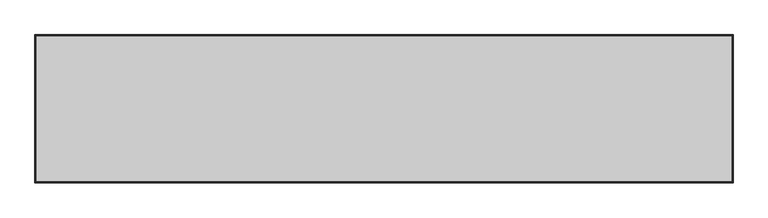
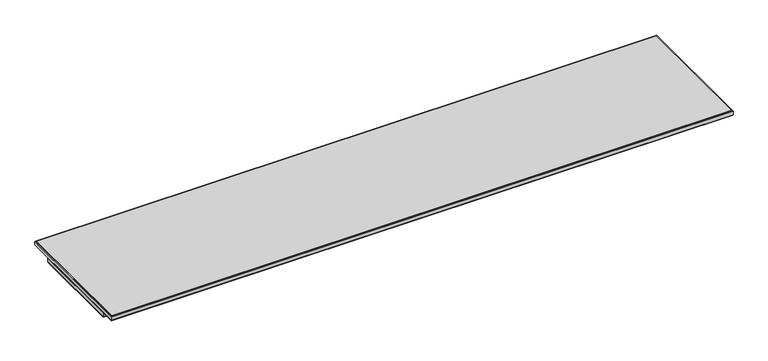
"""IFC4 building model written with IfcOpenShell, lengths in millimetres: furniture geometry."""

from ifc_helpers import new_model, si_unit, frame, origin, place, context, project, spatial, polyline, outline, extrude, faceted_brep, source, transform, mapped, element, save


def furniture_a1cb0d6a(model_context):
    return source(origin(), model_context, "Body", "SolidModel", [
        faceted_brep([(1523.4142073, 19.7166075, 1043.3885283), (1521.9934, 18.2958003, 1042.8000114), (2.0066, 18.2958003, 1042.8000114), (0.5857927, 19.7166075, 1043.3885283), (1524.0, 20.3024003, 1044.8027589), (0.0, 20.3024003, 1044.8027589), (1524.0, 20.3024003, 1054.8000057), (0.0, 20.3024003, 1054.8000057), (1521.9934, 18.2958003, 1054.8000057), (2.0066, 18.2958003, 1054.8000057), (2.0066, -212.5041983, 1042.8000114), (0.5857927, -213.9250056, 1043.3885283), (0.0, -214.5107983, 1044.8027589), (0.0, -214.5107983, 1054.8000057), (2.0066, -212.5041983, 1054.8000057), (1521.9934, -212.5041983, 1042.8000114), (1523.4142073, -213.9250056, 1043.3885283), (1524.0, -214.5107983, 1044.8027589), (1524.0, -214.5107983, 1054.8000057), (1521.9934, -212.5041983, 1054.8000057)], [[[0, 1, 2, 3]], [[4, 0, 3, 5]], [[6, 4, 5, 7]], [[1, 8, 9, 2]], [[3, 2, 10, 11]], [[5, 3, 11, 12]], [[7, 5, 12, 13]], [[2, 9, 14, 10]], [[11, 10, 15, 16]], [[12, 11, 16, 17]], [[13, 12, 17, 18]], [[10, 14, 19, 15]], [[16, 15, 1, 0]], [[17, 16, 0, 4]], [[18, 17, 4, 6]], [[7, 13, 18, 6], [8, 19, 14, 9]], [[15, 19, 8, 1]]]),
        extrude(outline(polyline([(1521.9934, 18.2958003), (1521.9934, -212.5041983), (2.0066, -212.5041983), (2.0066, 18.2958003), (1521.9934, 18.2958003)])), frame((0.0, 0.0, 1042.8000114), z_axis=(0.0, 0.0, 1.0), x_axis=(1.0, 0.0, 0.0)), (0.0, 0.0, 1.0), 11.9999943),
        faceted_brep([(1523.5082364, 73.7600281, 1055.3857985), (1522.0940059, 72.3457976, 1054.8000057), (1.7526, 72.3457976, 1054.8000057), (0.3383695, 73.7600281, 1055.3857985), (1524.0940291, 74.3458208, 1056.800029), (-0.2474233, 74.3458208, 1056.800029), (1524.0940291, 74.3458208, 1064.7999767), (-0.2474233, 74.3458208, 1064.7999767), (1523.5082364, 73.7600281, 1066.2142073), (0.3383695, 73.7600281, 1066.2142073), (1522.0940059, 72.3457976, 1066.8030114), (1.7526, 72.3457976, 1066.8030114), (1.7526, -247.5042058, 1054.8000057), (0.3383695, -248.9184364, 1055.3857985), (-0.2474233, -249.5042291, 1056.800029), (-0.2474233, -249.5042291, 1064.7999767), (0.3383695, -248.9184364, 1066.2142073), (1.7526, -247.5042058, 1066.8030114), (1522.0940059, -247.5042058, 1054.8000057), (1523.5082364, -248.9184364, 1055.3857985), (1524.0940291, -249.5042291, 1056.800029), (1524.0940291, -249.5042291, 1064.7999767), (1523.5082364, -248.9184364, 1066.2142073), (1522.0940059, -247.5042058, 1066.8030114)], [[[0, 1, 2, 3]], [[4, 0, 3, 5]], [[6, 4, 5, 7]], [[8, 6, 7, 9]], [[10, 8, 9, 11]], [[1, 10, 11, 2]], [[3, 2, 12, 13]], [[5, 3, 13, 14]], [[7, 5, 14, 15]], [[9, 7, 15, 16]], [[11, 9, 16, 17]], [[2, 11, 17, 12]], [[13, 12, 18, 19]], [[14, 13, 19, 20]], [[15, 14, 20, 21]], [[16, 15, 21, 22]], [[17, 16, 22, 23]], [[12, 17, 23, 18]], [[19, 18, 1, 0]], [[20, 19, 0, 4]], [[21, 20, 4, 6]], [[22, 21, 6, 8]], [[23, 22, 8, 10]], [[18, 23, 10, 1]]]),
        extrude(outline(polyline([(1522.0940059, 72.3457976), (1522.0940059, -247.5042058), (1.7526, -247.5042058), (1.7526, 72.3457976), (1522.0940059, 72.3457976)])), frame((0.0, 0.0, 1054.8000057), z_axis=(0.0, 0.0, 1.0), x_axis=(1.0, 0.0, 0.0)), (0.0, 0.0, 1.0), 12.0030057),
    ])


if __name__ == "__main__":
    model = new_model("IFC4")
    model_context = context("Model", 3, world=origin())
    ifc_project = project(units=[si_unit("LENGTHUNIT", "METRE", prefix="MILLI")], contexts=[model_context])
    site = spatial("IfcSite", under=ifc_project)
    building = spatial("IfcBuilding", under=site)
    placement = place(None, origin())
    furniture_shape = furniture_a1cb0d6a(model_context)
    element("IfcFurniture", 1, at=placement, inside=building, context=model_context, shape_type="MappedRepresentation", body=[
        mapped(furniture_shape, transform((0.0, 0.0, 0.0), x_axis=(1.0, 0.0, 0.0), y_axis=(0.0, 1.0, 0.0), z_axis=(0.0, 0.0, 1.0))),
    ])
    save(model, "model.ifc")
